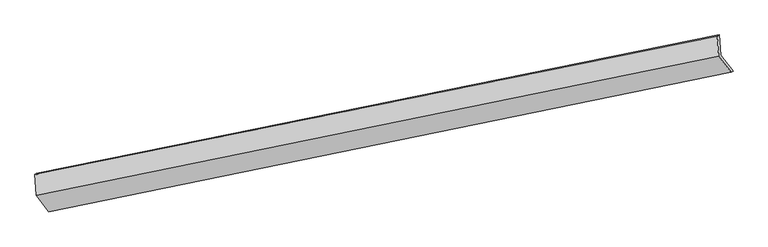
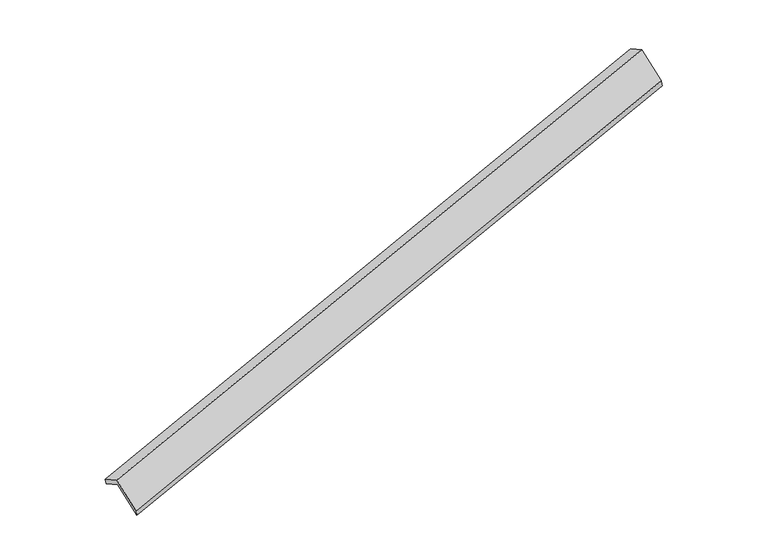
"""IFC4 building model written with IfcOpenShell, lengths in millimetres: proxy geometry."""

from ifc_helpers import new_model, si_unit, frame, origin, place, context, project, spatial, source, transform, mapped, element, save
from ifc_brep_helpers import plane_surface, spline_surface, advanced_brep


def generic_models_06cdbf41(model_context):
    return source(origin(), model_context, "Body", "AdvancedBrep", [
        advanced_brep(
        [(-9647.5081903, -2889.0919421, 184.6630315), (-9670.1273474, -2488.7401057, -27.4578138), (3789.3800324, 248.5796044, 3874.7489242), (3811.9991895, -151.772232, 4086.8697695), (-9705.8583422, -2510.5862411, 113.0579766), (3750.8444587, 222.1807516, 4028.3569681), (-9682.8277008, -2918.2212178, 329.0376924), (3772.8778689, -167.8035509, 4234.98472), (-9430.9125809, -3244.068671, -312.8215917), (4023.1413915, -491.5146942, 3597.3335716), (-9402.1994594, -3206.3941558, -440.3637095), (4058.9595177, -471.2107556, 3457.6348927)],
        [
            (0, 1),
            (1, 2),
            (2, 3),
            (3, 0),
            (1, 4),
            (4, 5),
            (5, 2),
            (4, 6),
            (6, 7),
            (7, 5),
            (6, 8),
            (8, 9),
            (9, 7),
            (8, 10),
            (10, 11),
            (11, 9),
            (10, 0),
            (3, 11),
        ],
        [
            plane_surface(frame((-9658.8177688, -2688.9160239, 78.6026089), z_axis=(0.3308355322840349, -0.4271543513235221, -0.841479061369753), x_axis=(-0.049861563877029016, 0.882533710823114, -0.46759819686192233))),
            spline_surface(1, 1, [[(-9670.1273474, -2488.7401057, -27.4578138), (3789.3800324, 248.5796044, 3874.7489242)], [(-9705.8583422, -2510.5862411, 113.0579766), (3750.8444587, 222.1807516, 4028.3569681)]], [2, 2], [2, 2], [0.0, 1.0], [0.0, 1.0]),
            plane_surface(frame((-9694.3430215, -2714.4037295, 221.0478345), z_axis=(-0.33149544874227754, 0.42701651704765553, 0.8412892853422332), x_axis=(0.04986156387704694, -0.8825337108231337, 0.46759819686188336))),
            plane_surface(frame((-9556.8701408, -3081.1449444, 8.1080503), z_axis=(0.04524014529139986, -0.8834860543645722, 0.46626786399808173), x_axis=(0.33031944964793775, -0.42726197400659827, -0.8416271542388997))),
            spline_surface(1, 1, [[(-9430.9125809, -3244.068671, -312.8215917), (4023.1413915, -491.5146942, 3597.3335716)], [(-9402.1994594, -3206.3941558, -440.3637095), (4058.9595177, -471.2107556, 3457.6348927)]], [2, 2], [2, 2], [0.0, 1.0], [0.0, 1.0]),
            plane_surface(frame((-9524.8538248, -3047.7430489, -127.850339), z_axis=(-0.04457986424005257, 0.8836203679565502, -0.46607690463771045), x_axis=(-0.3303194496479701, 0.42726197400659605, 0.841627154238888))),
            plane_surface(frame((3867.8670765, -135.2568128, 3879.988141), z_axis=(0.9425512641931397, 0.19642162515471243, 0.2702140994461538), x_axis=(0.24593663220184495, 0.1394121588893807, -0.9592077058150735))),
            plane_surface(frame((-9589.9056035, -2876.1837223, -25.6474024), z_axis=(-0.9425512641931352, -0.19642162515489653, -0.27021409944603575), x_axis=(0.330319449647952, -0.4272619740065994, -0.8416271542388934))),
        ],
        [
            (0, [[1, 2, 3, 4]]),
            (1, [[5, 6, 7, -2]]),
            (2, [[8, 9, 10, -6]]),
            (3, [[11, 12, 13, -9]]),
            (4, [[14, 15, 16, -12]]),
            (5, [[17, -4, 18, -15]]),
            (6, [[-16, -18, -3, -7, -10, -13]]),
            (7, [[-17, -14, -11, -8, -5, -1]]),
        ],
    ),
    ])


if __name__ == "__main__":
    model = new_model("IFC4")
    model_context = context("Model", 3, world=origin())
    ifc_project = project(units=[si_unit("LENGTHUNIT", "METRE", prefix="MILLI")], contexts=[model_context])
    site = spatial("IfcSite", under=ifc_project)
    building = spatial("IfcBuilding", under=site)
    placement = place(None, origin())
    generic_models_shape = generic_models_06cdbf41(model_context)
    element("IfcBuildingElementProxy", 1, Name="Generic Models", at=placement, inside=building, context=model_context, shape_type="MappedRepresentation", body=[
        mapped(generic_models_shape, transform((0.0, 0.0, 0.0), x_axis=(1.0, 0.0, 0.0), y_axis=(0.0, 1.0, 0.0), z_axis=(0.0, 0.0, 1.0))),
    ])
    save(model, "model.ifc")
